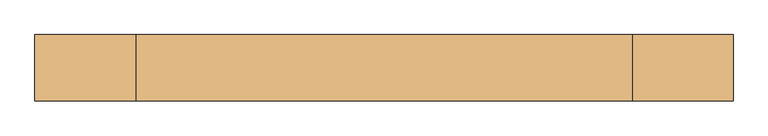
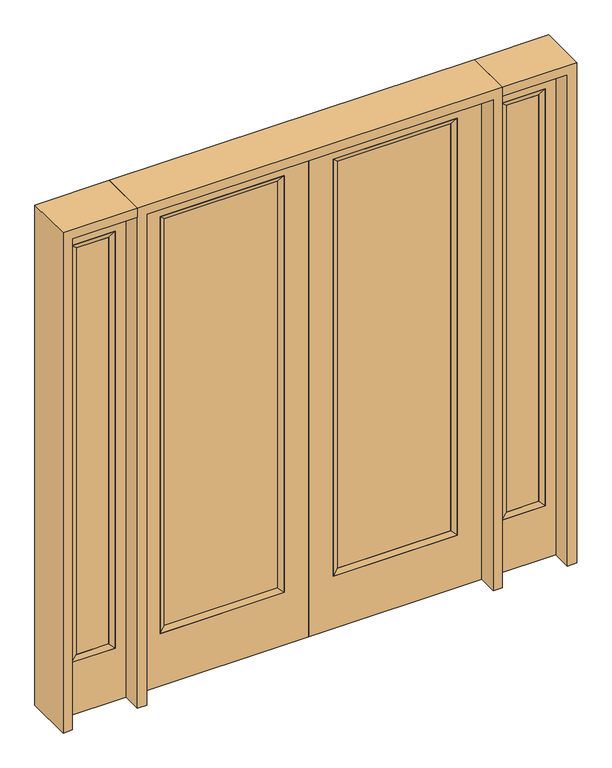
"""IFC4 building model written with IfcOpenShell, lengths in millimetres: door geometry."""

from ifc_helpers import new_model, si_unit, frame, origin, place, context, project, spatial, polyline, outline, extrude, faceted_brep, source, transform, mapped, element, save


def door_f987fb02(model_context):
    return source(origin(), model_context, "Body", "SolidModel", [
        extrude(outline(polyline([(140.8176, -12.7039749), (140.8176, 14.2875), (671.9824, 14.2875), (671.9824, -12.7039749), (140.8176, -12.7039749)])), frame((0.0, 0.0, 285.75), z_axis=(0.0, 0.0, 1.0), x_axis=(1.0, 0.0, 0.0)), (0.0, 0.0, 1.0), 2019.3),
        faceted_brep([(140.8176, 14.2875, 2305.05), (140.8176, 14.2875, 285.75), (115.4176, 22.225, 260.35), (115.4176, 22.225, 2330.45), (115.4176, -22.225, 260.35), (115.4176, -22.225, 2330.45), (671.9824, 14.2875, 285.75), (697.3824, 22.225, 260.35), (140.8176, -12.7039749, 2305.05), (140.8176, -12.7039749, 285.75), (671.9824, -12.7039749, 285.75), (697.3824, -22.225, 260.35), (671.9824, 14.2875, 2305.05), (697.3824, 22.225, 2330.45), (671.9824, -12.7039749, 2305.05), (697.3824, -22.225, 2330.45)], [[[0, 1, 2, 3]], [[3, 2, 4, 5]], [[1, 6, 7, 2]], [[8, 9, 1, 0]], [[9, 10, 6, 1]], [[5, 4, 9, 8]], [[4, 11, 10, 9]], [[2, 7, 11, 4]], [[6, 12, 13, 7]], [[10, 14, 12, 6]], [[11, 15, 14, 10]], [[7, 13, 15, 11]], [[12, 0, 3, 13]], [[14, 8, 0, 12]], [[15, 5, 8, 14]], [[13, 3, 5, 15]]]),
        extrude(outline(polyline([(0.0, 812.8), (2438.4, 812.8), (2438.4, 0.0), (0.0, 0.0), (0.0, 812.8)]), holes=[polyline([(260.35, 697.3824), (260.35, 115.4176), (2330.45, 115.4176), (2330.45, 697.3824), (260.35, 697.3824)])]), frame((0.0, -22.225, 0.0), z_axis=(0.0, 1.0, 0.0), x_axis=(0.0, 0.0, 1.0)), (0.0, 0.0, 1.0), 44.45),
        extrude(outline(polyline([(-140.8176, -12.7039749), (-671.9824, -12.7039749), (-671.9824, 14.2875), (-140.8176, 14.2875), (-140.8176, -12.7039749)])), frame((0.0, 0.0, 285.75), z_axis=(0.0, 0.0, 1.0), x_axis=(1.0, 0.0, 0.0)), (0.0, 0.0, 1.0), 2019.3),
        faceted_brep([(-140.8176, 14.2875, 2305.05), (-115.4176, 22.225, 2330.45), (-115.4176, 22.225, 260.35), (-140.8176, 14.2875, 285.75), (-115.4176, -22.225, 2330.45), (-115.4176, -22.225, 260.35), (-697.3824, 22.225, 260.35), (-671.9824, 14.2875, 285.75), (-140.8176, -12.7039749, 2305.05), (-140.8176, -12.7039749, 285.75), (-671.9824, -12.7039749, 285.75), (-697.3824, -22.225, 260.35), (-697.3824, 22.225, 2330.45), (-671.9824, 14.2875, 2305.05), (-671.9824, -12.7039749, 2305.05), (-697.3824, -22.225, 2330.45)], [[[0, 1, 2, 3]], [[1, 4, 5, 2]], [[3, 2, 6, 7]], [[8, 0, 3, 9]], [[9, 3, 7, 10]], [[4, 8, 9, 5]], [[5, 9, 10, 11]], [[2, 5, 11, 6]], [[7, 6, 12, 13]], [[10, 7, 13, 14]], [[11, 10, 14, 15]], [[6, 11, 15, 12]], [[13, 12, 1, 0]], [[14, 13, 0, 8]], [[15, 14, 8, 4]], [[12, 15, 4, 1]]]),
        extrude(outline(polyline([(0.0, -812.8), (0.0, 0.0), (2438.4, 0.0), (2438.4, -812.8), (0.0, -812.8)]), holes=[polyline([(260.35, -697.3824), (2330.45, -697.3824), (2330.45, -115.4176), (260.35, -115.4176), (260.35, -697.3824)])]), frame((0.0, -22.225, 0.0), z_axis=(0.0, 1.0, 0.0), x_axis=(0.0, 0.0, 1.0)), (0.0, 0.0, 1.0), 44.45),
        faceted_brep([(908.05, 20.6375, 2330.45), (908.05, 20.6375, 260.35), (908.05, -20.6375, 260.35), (908.05, -20.6375, 2330.45), (933.45, -12.7, 285.75), (933.45, -12.7, 2305.05), (1111.25, 20.6375, 260.35), (1111.25, -20.6375, 260.35), (933.45, 12.7, 2305.05), (933.45, 12.7, 285.75), (1085.85, 12.7, 285.75), (1085.85, -12.7, 285.75), (1111.25, 20.6375, 2330.45), (1111.25, -20.6375, 2330.45), (1085.85, 12.7, 2305.05), (1085.85, -12.7, 2305.05)], [[[0, 1, 2, 3]], [[3, 2, 4, 5]], [[1, 6, 7, 2]], [[8, 9, 1, 0]], [[9, 10, 6, 1]], [[5, 4, 9, 8]], [[4, 11, 10, 9]], [[2, 7, 11, 4]], [[6, 12, 13, 7]], [[10, 14, 12, 6]], [[11, 15, 14, 10]], [[7, 13, 15, 11]], [[12, 0, 3, 13]], [[14, 8, 0, 12]], [[15, 5, 8, 14]], [[13, 3, 5, 15]]]),
        extrude(outline(polyline([(0.0, 1162.05), (2438.4, 1162.05), (2438.4, 857.25), (0.0, 857.25), (0.0, 1162.05)]), holes=[polyline([(2330.45, 908.05), (2330.45, 1111.25), (260.35, 1111.25), (260.35, 908.05), (2330.45, 908.05)])]), frame((0.0, -20.6375, 0.0), z_axis=(0.0, 1.0, 0.0), x_axis=(0.0, 0.0, 1.0)), (0.0, 0.0, 1.0), 41.275),
        extrude(outline(polyline([(933.45, -12.7), (933.45, 12.7), (1085.85, 12.7), (1085.85, -12.7), (933.45, -12.7)])), frame((0.0, 0.0, 285.75), z_axis=(0.0, 0.0, 1.0), x_axis=(1.0, 0.0, 0.0)), (0.0, 0.0, 1.0), 2019.3),
        faceted_brep([(-908.05, 20.6375, 2330.45), (-908.05, -20.6375, 2330.45), (-908.05, -20.6375, 260.35), (-908.05, 20.6375, 260.35), (-933.45, -12.7, 2305.05), (-933.45, -12.7, 285.75), (-1111.25, -20.6375, 260.35), (-1111.25, 20.6375, 260.35), (-933.45, 12.7, 2305.05), (-933.45, 12.7, 285.75), (-1085.85, 12.7, 285.75), (-1085.85, -12.7, 285.75), (-1111.25, -20.6375, 2330.45), (-1111.25, 20.6375, 2330.45), (-1085.85, 12.7, 2305.05), (-1085.85, -12.7, 2305.05)], [[[0, 1, 2, 3]], [[1, 4, 5, 2]], [[3, 2, 6, 7]], [[8, 0, 3, 9]], [[9, 3, 7, 10]], [[4, 8, 9, 5]], [[5, 9, 10, 11]], [[2, 5, 11, 6]], [[7, 6, 12, 13]], [[10, 7, 13, 14]], [[11, 10, 14, 15]], [[6, 11, 15, 12]], [[13, 12, 1, 0]], [[14, 13, 0, 8]], [[15, 14, 8, 4]], [[12, 15, 4, 1]]]),
        extrude(outline(polyline([(0.0, -1162.05), (0.0, -857.25), (2438.4, -857.25), (2438.4, -1162.05), (0.0, -1162.05)]), holes=[polyline([(2330.45, -908.05), (260.35, -908.05), (260.35, -1111.25), (2330.45, -1111.25), (2330.45, -908.05)])]), frame((0.0, -20.6375, 0.0), z_axis=(0.0, 1.0, 0.0), x_axis=(0.0, 0.0, 1.0)), (0.0, 0.0, 1.0), 41.275),
        extrude(outline(polyline([(-933.45, -12.7), (-1085.85, -12.7), (-1085.85, 12.7), (-933.45, 12.7), (-933.45, -12.7)])), frame((0.0, 0.0, 285.75), z_axis=(0.0, 0.0, 1.0), x_axis=(1.0, 0.0, 0.0)), (0.0, 0.0, 1.0), 2019.3),
        extrude(outline(polyline([(2438.4, -857.25), (2482.85, -857.25), (2482.85, -1206.5), (0.0, -1206.5), (0.0, -1162.05), (2438.4, -1162.05), (2438.4, -857.25)])), frame((0.0, -114.3, 0.0), z_axis=(0.0, 1.0, 0.0), x_axis=(0.0, 0.0, 1.0)), (0.0, 0.0, 1.0), 228.6),
        extrude(outline(polyline([(2482.85, -857.25), (0.0, -857.25), (0.0, -812.8), (2438.4, -812.8), (2438.4, 812.8), (0.0, 812.8), (0.0, 857.25), (2482.85, 857.25), (2482.85, -857.25)])), frame((0.0, -114.3, 0.0), z_axis=(0.0, 1.0, 0.0), x_axis=(0.0, 0.0, 1.0)), (0.0, 0.0, 1.0), 228.6),
        extrude(outline(polyline([(0.0, 1162.05), (0.0, 1206.5), (2482.85, 1206.5), (2482.85, 857.25), (2438.4, 857.25), (2438.4, 1162.05), (0.0, 1162.05)])), frame((0.0, -114.3, 0.0), z_axis=(0.0, 1.0, 0.0), x_axis=(0.0, 0.0, 1.0)), (0.0, 0.0, 1.0), 228.6),
    ])


if __name__ == "__main__":
    model = new_model("IFC4")
    model_context = context("Model", 3, world=origin())
    ifc_project = project(units=[si_unit("LENGTHUNIT", "METRE", prefix="MILLI")], contexts=[model_context])
    site = spatial("IfcSite", under=ifc_project)
    building = spatial("IfcBuilding", under=site)
    placement = place(None, origin())
    door_shape = door_f987fb02(model_context)
    element("IfcDoor", 1, at=placement, inside=building, context=model_context, shape_type="MappedRepresentation", body=[
        mapped(door_shape, transform((0.0, 0.0, 0.0), x_axis=(1.0, 0.0, 0.0), y_axis=(0.0, 1.0, 0.0), z_axis=(0.0, 0.0, 1.0))),
    ])
    save(model, "model.ifc")
